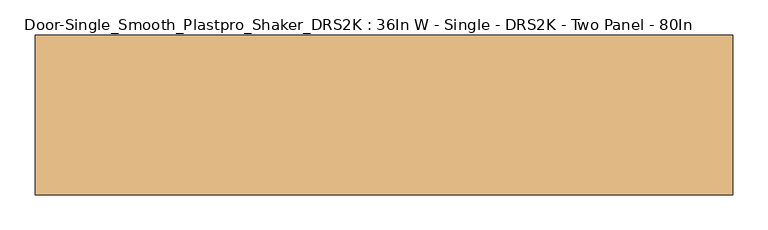
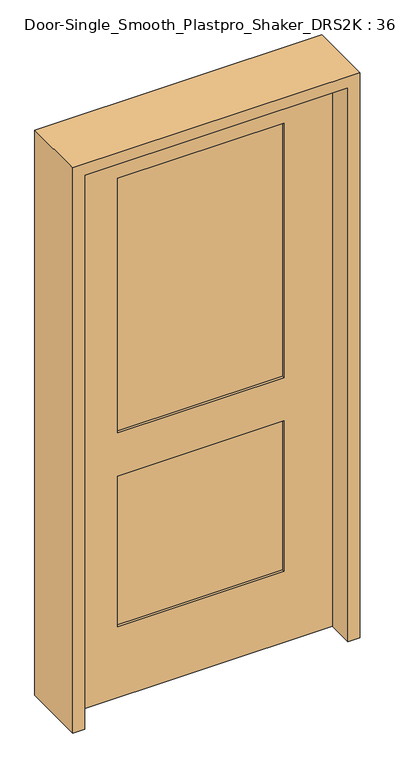
"""IFC4 building model written with IfcOpenShell, lengths in millimetres: door geometry, Door-Single_Smooth_Plastpro_Shaker_DRS2K : 36In W - Single - DRS2K - Two Panel - 80In."""

import ifcopenshell
import ifcopenshell.guid

model = None  # the IFC model being written
_history = None  # IfcOwnerHistory: only IFC2X3 demands one
_inside = {}  # id of a spatial element -> (the spatial element, [elements in it])
_under = {}  # id of a project, library or spatial element -> (it, [spatial elements below it])
_declared = {}  # id of a project -> (the project, [libraries it declares])
_typed = {}  # id of a type object -> (the type object, [elements of that type])
_made_of = {}  # id of a material, layer set ... -> (it, [elements and type objects made of it])


def new_model(schema):
    """Start an empty IFC model of exactly this schema.

    Asked for "IFC4X3", IfcOpenShell would pick the latest addendum, in which some entities
    have other attributes; the version numbers below select the first issue.
    IFC2X3 requires an IfcOwnerHistory on every rooted entity: one is made here for all.
    """
    global model, _history
    if schema == "IFC4X3":
        model = ifcopenshell.file(schema_version=(4, 3, 0, 0))
    else:
        model = ifcopenshell.file(schema=schema)
    _inside.clear()
    _under.clear()
    _declared.clear()
    _typed.clear()
    _made_of.clear()
    _history = None
    if model.schema == "IFC2X3":
        org = make("IfcOrganization", Name="unknown")
        user = make(
            "IfcPersonAndOrganization",
            ThePerson=make("IfcPerson", FamilyName="unknown"),
            TheOrganization=org,
        )
        app = make(
            "IfcApplication",
            ApplicationDeveloper=org,
            Version="unknown",
            ApplicationFullName="unknown",
            ApplicationIdentifier="unknown",
        )
        _history = make(
            "IfcOwnerHistory",
            OwningUser=user,
            OwningApplication=app,
            ChangeAction="ADDED",
            CreationDate=0,
        )
    return model


def make(cls, **values):
    """One entity of the class cls with the attributes given. An attribute that is None is left unset."""
    return model.create_entity(
        cls, **{name: value for name, value in values.items() if value is not None}
    )


def rooted(cls, **values):
    """An entity with a GlobalId (a new one), such as an element, a storey or a relation."""
    return make(cls, GlobalId=ifcopenshell.guid.new(), OwnerHistory=_history, **values)


def si_unit(unit_type, name, prefix=None):
    """IfcSIUnit, for example si_unit("LENGTHUNIT", "METRE", prefix="MILLI")."""
    return make("IfcSIUnit", UnitType=unit_type, Prefix=prefix, Name=name)


def assignment(units):
    """IfcUnitAssignment: the units of a project."""
    return None if units is None else make("IfcUnitAssignment", Units=units)


def point(xyz):
    """IfcCartesianPoint."""
    return None if xyz is None else make("IfcCartesianPoint", Coordinates=xyz)


def direction(xyz):
    """IfcDirection."""
    return None if xyz is None else make("IfcDirection", DirectionRatios=xyz)


def frame(location, z_axis=None, x_axis=None):
    """IfcAxis2Placement3D, a coordinate frame: its origin and axes. An axis left out is left unset."""
    return make(
        "IfcAxis2Placement3D",
        Location=point(location),
        Axis=direction(z_axis),
        RefDirection=direction(x_axis),
    )


def origin():
    """The frame at (0, 0, 0) with its axes left unset."""
    return frame((0.0, 0.0, 0.0))


def place(relative_to, where):
    """IfcLocalPlacement: puts the frame where relative to a parent placement (None: the world)."""
    return make(
        "IfcLocalPlacement", PlacementRelTo=relative_to, RelativePlacement=where
    )


def context(
    kind, dimensions, precision=None, world=None, true_north=None, identifier=None
):
    """IfcGeometricRepresentationContext, for example the 3D "Model" context."""
    return make(
        "IfcGeometricRepresentationContext",
        ContextIdentifier=identifier,
        ContextType=kind,
        CoordinateSpaceDimension=dimensions,
        Precision=precision,
        WorldCoordinateSystem=world,
        TrueNorth=true_north,
    )


def project(units=None, contexts=None):
    """IfcProject with its units and contexts."""
    return rooted(
        "IfcProject",
        Name="project",
        RepresentationContexts=contexts,
        UnitsInContext=assignment(units),
    )


def spatial(cls, under=None, at=None, **own):
    """A site, building, storey or space (cls), placed at a placement, below another one or the project."""
    s = rooted(cls, ObjectPlacement=at, **own)
    if under is not None:
        _under.setdefault(under.id(), (under, []))[1].append(s)
    return s


def polyline(points):
    """IfcPolyline through the points."""
    return make("IfcPolyline", Points=[point(p) for p in points])


def outline(outer, holes=None, kind="AREA"):
    """IfcArbitraryClosedProfileDef: a profile drawn as a closed curve; with holes, ...WithVoids."""
    if holes is None:
        return make("IfcArbitraryClosedProfileDef", ProfileType=kind, OuterCurve=outer)
    return make(
        "IfcArbitraryProfileDefWithVoids",
        ProfileType=kind,
        OuterCurve=outer,
        InnerCurves=holes,
    )


def extrude(swept, where, along, depth):
    """IfcExtrudedAreaSolid: the profile swept, set in the frame where, extruded along a direction by depth."""
    return make(
        "IfcExtrudedAreaSolid",
        SweptArea=swept,
        Position=where,
        ExtrudedDirection=direction(along),
        Depth=depth,
    )


def faces_of(points, faces, orient=None, outer=None):
    """IfcFace entities. A face is a list of loops; a loop is a list of indices into points, from 0.

    orient and outer hold one flag for each loop. By default every Orientation is true, the
    first loop of a face is its IfcFaceOuterBound and the others are IfcFaceBound.
    """
    made = []
    for i, loops in enumerate(faces):
        bounds = []
        for j, loop in enumerate(loops):
            is_outer = j == 0 if outer is None else outer[i][j]
            bounds.append(
                make(
                    "IfcFaceOuterBound" if is_outer else "IfcFaceBound",
                    Bound=make("IfcPolyLoop", Polygon=[points[k] for k in loop]),
                    Orientation=True if orient is None else orient[i][j],
                )
            )
        made.append(make("IfcFace", Bounds=bounds))
    return made


def faceted_brep(points, faces, orient=None, outer=None, voids=None):
    """IfcFacetedBrep: a solid bounded by flat faces; with voids (closed shells), ...WithVoids."""
    shared = [point(p) for p in points]
    hull = make("IfcClosedShell", CfsFaces=faces_of(shared, faces, orient, outer))
    if voids is None:
        return make("IfcFacetedBrep", Outer=hull)
    return make(
        "IfcFacetedBrepWithVoids",
        Outer=hull,
        Voids=[
            make(cls, CfsFaces=faces_of(shared, fs, o, b)) for cls, fs, o, b in voids
        ],
    )


def shape(context_of_items, identifier, shape_type, items):
    """IfcShapeRepresentation: the items that make up one representation, for example the "Body"."""
    return make(
        "IfcShapeRepresentation",
        ContextOfItems=context_of_items,
        RepresentationIdentifier=identifier,
        RepresentationType=shape_type,
        Items=items,
    )


def source(mapping_origin, context_of_items, identifier, shape_type, items):
    """IfcRepresentationMap: a shape defined once, which mapped items show again and again."""
    return make(
        "IfcRepresentationMap",
        MappingOrigin=mapping_origin,
        MappedRepresentation=shape(context_of_items, identifier, shape_type, items),
    )


def transform(
    local_origin,
    x_axis=None,
    y_axis=None,
    z_axis=None,
    scale=None,
    scale2=None,
    scale3=None,
    uniform=True,
):
    """IfcCartesianTransformationOperator3D, or its non-uniform kind. x_axis, y_axis, z_axis: its Axis1, 2, 3."""
    if uniform:
        return make(
            "IfcCartesianTransformationOperator3D",
            Axis1=direction(x_axis),
            Axis2=direction(y_axis),
            LocalOrigin=point(local_origin),
            Scale=scale,
            Axis3=direction(z_axis),
        )
    return make(
        "IfcCartesianTransformationOperator3DnonUniform",
        Axis1=direction(x_axis),
        Axis2=direction(y_axis),
        LocalOrigin=point(local_origin),
        Scale=scale,
        Axis3=direction(z_axis),
        Scale2=scale2,
        Scale3=scale3,
    )


def mapped(mapping_source, mapping_target):
    """IfcMappedItem: shows the shape of a source again, moved by a transform."""
    return make(
        "IfcMappedItem", MappingSource=mapping_source, MappingTarget=mapping_target
    )


def made_of(thing, what):
    """Note that an element or type object is made of a material, layer set ...; save() writes the relation."""
    if what is not None:
        _made_of.setdefault(what.id(), (what, []))[1].append(thing)
    return thing


def element(
    cls,
    number,
    at=None,
    inside=None,
    cuts=None,
    type_object=None,
    material=None,
    context=None,
    identifier="Body",
    shape_type=None,
    held_by="IfcProductDefinitionShape",
    body=None,
    shapes=None,
    **own,
):
    """One element of the class cls, such as IfcWall. Its Tag is "e" and its number.

    at: its placement. inside: the storey or other place that contains it. cuts: it is an
    opening in that element (IfcRelVoidsElement). A single representation is given by context,
    identifier, shape_type and body (its items); several are given by shapes. held_by: the class
    of the entity that holds the representations. save() writes the other relations.
    """
    e = rooted(cls, Tag="e%d" % number, ObjectPlacement=at, **own)
    if body is not None:
        shapes = [shape(context, identifier, shape_type, body)]
    if shapes is not None:
        e.Representation = make(held_by, Representations=shapes)
    if inside is not None:
        _inside.setdefault(inside.id(), (inside, []))[1].append(e)
    if cuts is not None:
        rooted(
            "IfcRelVoidsElement", RelatingBuildingElement=cuts, RelatedOpeningElement=e
        )
    if type_object is not None:
        _typed.setdefault(type_object.id(), (type_object, []))[1].append(e)
    return made_of(e, material)


def aggregate(whole, parts):
    """IfcRelAggregates: a whole, such as a stair, and the parts it consists of."""
    return rooted("IfcRelAggregates", RelatingObject=whole, RelatedObjects=parts)


def save(model, path):
    """Write the relations noted so far, then the file.

    IfcRelAggregates (storeys below a building ...), IfcRelContainedInSpatialStructure (elements
    in a storey), IfcRelDefinesByType, IfcRelAssociatesMaterial and IfcRelDeclares: one each for
    every whole, place, type object, material and project.
    """
    for whole, parts in _under.values():
        aggregate(whole, parts)
    for where, things in _inside.values():
        rooted(
            "IfcRelContainedInSpatialStructure",
            RelatedElements=things,
            RelatingStructure=where,
        )
    for kind, things in _typed.values():
        rooted("IfcRelDefinesByType", RelatedObjects=things, RelatingType=kind)
    for what, things in _made_of.values():
        rooted("IfcRelAssociatesMaterial", RelatedObjects=things, RelatingMaterial=what)
    for by, libraries in _declared.values():
        rooted("IfcRelDeclares", RelatingContext=by, RelatedDefinitions=libraries)
    model.write(path)


def door_single_smooth_plastpro_shaker_drs2k_36in_w_single_drs2k_38fcf3cf(model_context):
    return source(origin(), model_context, "Body", "SolidModel", [
        faceted_brep([(457.2, 20.6375, 2032.0), (-457.2, 20.6375, 2032.0), (-457.2, -20.6375, 2032.0), (457.2, -20.6375, 2032.0), (457.2, 20.6375, 0.0), (457.2, -20.6375, 0.0), (-457.2, -20.6375, 0.0), (-457.2, 20.6375, 0.0), (-288.925, 20.6375, 1905.0), (-288.925, 20.6375, 971.55), (288.925, 20.6375, 971.55), (288.925, 20.6375, 1905.0), (-288.925, 20.6375, 812.8), (-288.925, 20.6375, 260.35), (288.925, 20.6375, 260.35), (288.925, 20.6375, 812.8), (-288.925, -20.6375, 971.55), (-288.925, -20.6375, 1905.0), (288.925, -20.6375, 1905.0), (288.925, -20.6375, 971.55), (-288.925, -20.6375, 260.35), (-288.925, -20.6375, 812.8), (288.925, -20.6375, 812.8), (288.925, -20.6375, 260.35), (-288.925, -11.6572439, 971.55), (288.925, -11.6572439, 971.55), (288.925, -11.6572439, 1905.0), (-288.925, -11.6572439, 1905.0), (-288.925, -11.6572439, 260.35), (288.925, -11.6572439, 260.35), (288.925, -11.6572439, 812.8), (-288.925, -11.6572439, 812.8), (-288.925, 11.6572439, 971.55), (-288.925, 11.6572439, 1905.0), (288.925, 11.6572439, 1905.0), (288.925, 11.6572439, 971.55), (-288.925, 11.6572439, 260.35), (-288.925, 11.6572439, 812.8), (288.925, 11.6572439, 812.8), (288.925, 11.6572439, 260.35)], [[[0, 1, 2, 3]], [[4, 5, 6, 7]], [[1, 0, 4, 7], [8, 9, 10, 11], [12, 13, 14, 15]], [[2, 1, 7, 6]], [[3, 2, 6, 5], [16, 17, 18, 19], [20, 21, 22, 23]], [[0, 3, 5, 4]], [[24, 25, 26, 27]], [[28, 29, 30, 31]], [[24, 27, 17, 16]], [[27, 26, 18, 17]], [[26, 25, 19, 18]], [[25, 24, 16, 19]], [[28, 31, 21, 20]], [[31, 30, 22, 21]], [[30, 29, 23, 22]], [[29, 28, 20, 23]], [[32, 33, 34, 35]], [[36, 37, 38, 39]], [[33, 32, 9, 8]], [[34, 33, 8, 11]], [[35, 34, 11, 10]], [[32, 35, 10, 9]], [[37, 36, 13, 12]], [[38, 37, 12, 15]], [[39, 38, 15, 14]], [[36, 39, 14, 13]]]),
        extrude(outline(polyline([(2073.275, -498.475), (0.0, -498.475), (0.0, -457.2), (2032.0, -457.2), (2032.0, 457.2), (0.0, 457.2), (0.0, 498.475), (2073.275, 498.475), (2073.275, -498.475)])), frame((0.0, -114.3, 0.0), z_axis=(0.0, 1.0, 0.0), x_axis=(0.0, 0.0, 1.0)), (0.0, 0.0, 1.0), 228.6),
    ])


if __name__ == "__main__":
    model = new_model("IFC4")
    model_context = context("Model", 3, world=origin())
    ifc_project = project(units=[si_unit("LENGTHUNIT", "METRE", prefix="MILLI")], contexts=[model_context])
    site = spatial("IfcSite", under=ifc_project)
    building = spatial("IfcBuilding", under=site)
    placement = place(None, origin())
    door_single_smooth_plastpro_shaker_drs2k_36in_w_single_drs2k_shape = door_single_smooth_plastpro_shaker_drs2k_36in_w_single_drs2k_38fcf3cf(model_context)
    element("IfcDoor", 1, ObjectType="Door-Single_Smooth_Plastpro_Shaker_DRS2K : 36In W - Single - DRS2K - Two Panel - 80In", at=placement, inside=building, context=model_context, shape_type="MappedRepresentation", body=[
        mapped(door_single_smooth_plastpro_shaker_drs2k_36in_w_single_drs2k_shape, transform((0.0, 0.0, 0.0), x_axis=(1.0, 0.0, 0.0), y_axis=(0.0, 1.0, 0.0), z_axis=(0.0, 0.0, 1.0))),
    ])
    save(model, "model.ifc")
